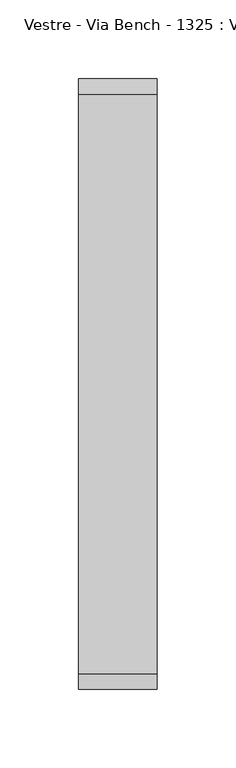
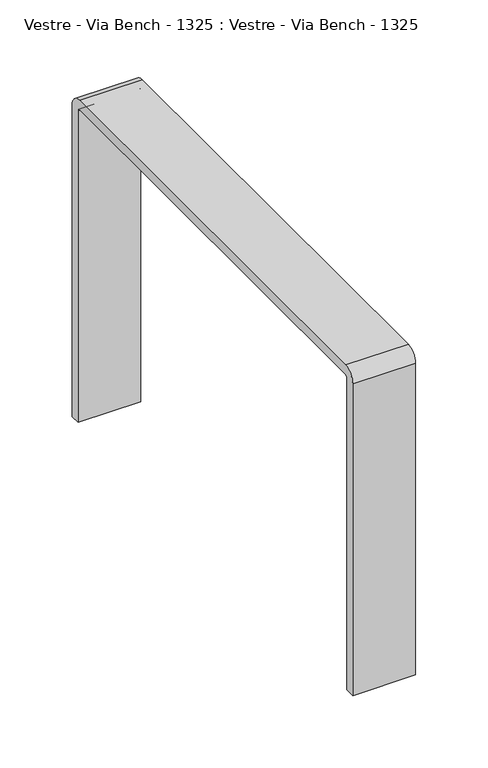
"""IFC4 building model written with IfcOpenShell, lengths in millimetres: furniture geometry, Vestre - Via Bench - 1325 : Vestre - Via Bench - 1325."""

import ifcopenshell
import ifcopenshell.guid

model = None  # the IFC model being written
_history = None  # IfcOwnerHistory: only IFC2X3 demands one
_inside = {}  # id of a spatial element -> (the spatial element, [elements in it])
_under = {}  # id of a project, library or spatial element -> (it, [spatial elements below it])
_declared = {}  # id of a project -> (the project, [libraries it declares])
_typed = {}  # id of a type object -> (the type object, [elements of that type])
_made_of = {}  # id of a material, layer set ... -> (it, [elements and type objects made of it])


def new_model(schema):
    """Start an empty IFC model of exactly this schema.

    Asked for "IFC4X3", IfcOpenShell would pick the latest addendum, in which some entities
    have other attributes; the version numbers below select the first issue.
    IFC2X3 requires an IfcOwnerHistory on every rooted entity: one is made here for all.
    """
    global model, _history
    if schema == "IFC4X3":
        model = ifcopenshell.file(schema_version=(4, 3, 0, 0))
    else:
        model = ifcopenshell.file(schema=schema)
    _inside.clear()
    _under.clear()
    _declared.clear()
    _typed.clear()
    _made_of.clear()
    _history = None
    if model.schema == "IFC2X3":
        org = make("IfcOrganization", Name="unknown")
        user = make(
            "IfcPersonAndOrganization",
            ThePerson=make("IfcPerson", FamilyName="unknown"),
            TheOrganization=org,
        )
        app = make(
            "IfcApplication",
            ApplicationDeveloper=org,
            Version="unknown",
            ApplicationFullName="unknown",
            ApplicationIdentifier="unknown",
        )
        _history = make(
            "IfcOwnerHistory",
            OwningUser=user,
            OwningApplication=app,
            ChangeAction="ADDED",
            CreationDate=0,
        )
    return model


def make(cls, **values):
    """One entity of the class cls with the attributes given. An attribute that is None is left unset."""
    return model.create_entity(
        cls, **{name: value for name, value in values.items() if value is not None}
    )


def rooted(cls, **values):
    """An entity with a GlobalId (a new one), such as an element, a storey or a relation."""
    return make(cls, GlobalId=ifcopenshell.guid.new(), OwnerHistory=_history, **values)


def si_unit(unit_type, name, prefix=None):
    """IfcSIUnit, for example si_unit("LENGTHUNIT", "METRE", prefix="MILLI")."""
    return make("IfcSIUnit", UnitType=unit_type, Prefix=prefix, Name=name)


def assignment(units):
    """IfcUnitAssignment: the units of a project."""
    return None if units is None else make("IfcUnitAssignment", Units=units)


def point(xyz):
    """IfcCartesianPoint."""
    return None if xyz is None else make("IfcCartesianPoint", Coordinates=xyz)


def direction(xyz):
    """IfcDirection."""
    return None if xyz is None else make("IfcDirection", DirectionRatios=xyz)


def frame(location, z_axis=None, x_axis=None):
    """IfcAxis2Placement3D, a coordinate frame: its origin and axes. An axis left out is left unset."""
    return make(
        "IfcAxis2Placement3D",
        Location=point(location),
        Axis=direction(z_axis),
        RefDirection=direction(x_axis),
    )


def frame_2d(location, x_axis=None):
    """IfcAxis2Placement2D, a coordinate frame in the plane: its origin and x axis."""
    return make(
        "IfcAxis2Placement2D", Location=point(location), RefDirection=direction(x_axis)
    )


def origin():
    """The frame at (0, 0, 0) with its axes left unset."""
    return frame((0.0, 0.0, 0.0))


def place(relative_to, where):
    """IfcLocalPlacement: puts the frame where relative to a parent placement (None: the world)."""
    return make(
        "IfcLocalPlacement", PlacementRelTo=relative_to, RelativePlacement=where
    )


def context(
    kind, dimensions, precision=None, world=None, true_north=None, identifier=None
):
    """IfcGeometricRepresentationContext, for example the 3D "Model" context."""
    return make(
        "IfcGeometricRepresentationContext",
        ContextIdentifier=identifier,
        ContextType=kind,
        CoordinateSpaceDimension=dimensions,
        Precision=precision,
        WorldCoordinateSystem=world,
        TrueNorth=true_north,
    )


def project(units=None, contexts=None):
    """IfcProject with its units and contexts."""
    return rooted(
        "IfcProject",
        Name="project",
        RepresentationContexts=contexts,
        UnitsInContext=assignment(units),
    )


def spatial(cls, under=None, at=None, **own):
    """A site, building, storey or space (cls), placed at a placement, below another one or the project."""
    s = rooted(cls, ObjectPlacement=at, **own)
    if under is not None:
        _under.setdefault(under.id(), (under, []))[1].append(s)
    return s


def polyline(points):
    """IfcPolyline through the points."""
    return make("IfcPolyline", Points=[point(p) for p in points])


def circle_curve(where, radius):
    """IfcCircle in the frame where."""
    return make("IfcCircle", Position=where, Radius=radius)


def trimmed(basis, trim1, trim2, sense, master):
    """IfcTrimmedCurve: the piece of a basis curve between two trims."""
    return make(
        "IfcTrimmedCurve",
        BasisCurve=basis,
        Trim1=trim1,
        Trim2=trim2,
        SenseAgreement=sense,
        MasterRepresentation=master,
    )


def segment(curve, same_sense, transition):
    """IfcCompositeCurveSegment."""
    return make(
        "IfcCompositeCurveSegment",
        Transition=transition,
        SameSense=same_sense,
        ParentCurve=curve,
    )


def composite_curve(segments, self_intersect=None):
    """IfcCompositeCurve: segments joined end to end."""
    return make("IfcCompositeCurve", Segments=segments, SelfIntersect=self_intersect)


def outline(outer, holes=None, kind="AREA"):
    """IfcArbitraryClosedProfileDef: a profile drawn as a closed curve; with holes, ...WithVoids."""
    if holes is None:
        return make("IfcArbitraryClosedProfileDef", ProfileType=kind, OuterCurve=outer)
    return make(
        "IfcArbitraryProfileDefWithVoids",
        ProfileType=kind,
        OuterCurve=outer,
        InnerCurves=holes,
    )


def extrude(swept, where, along, depth):
    """IfcExtrudedAreaSolid: the profile swept, set in the frame where, extruded along a direction by depth."""
    return make(
        "IfcExtrudedAreaSolid",
        SweptArea=swept,
        Position=where,
        ExtrudedDirection=direction(along),
        Depth=depth,
    )


def shape(context_of_items, identifier, shape_type, items):
    """IfcShapeRepresentation: the items that make up one representation, for example the "Body"."""
    return make(
        "IfcShapeRepresentation",
        ContextOfItems=context_of_items,
        RepresentationIdentifier=identifier,
        RepresentationType=shape_type,
        Items=items,
    )


def source(mapping_origin, context_of_items, identifier, shape_type, items):
    """IfcRepresentationMap: a shape defined once, which mapped items show again and again."""
    return make(
        "IfcRepresentationMap",
        MappingOrigin=mapping_origin,
        MappedRepresentation=shape(context_of_items, identifier, shape_type, items),
    )


def transform(
    local_origin,
    x_axis=None,
    y_axis=None,
    z_axis=None,
    scale=None,
    scale2=None,
    scale3=None,
    uniform=True,
):
    """IfcCartesianTransformationOperator3D, or its non-uniform kind. x_axis, y_axis, z_axis: its Axis1, 2, 3."""
    if uniform:
        return make(
            "IfcCartesianTransformationOperator3D",
            Axis1=direction(x_axis),
            Axis2=direction(y_axis),
            LocalOrigin=point(local_origin),
            Scale=scale,
            Axis3=direction(z_axis),
        )
    return make(
        "IfcCartesianTransformationOperator3DnonUniform",
        Axis1=direction(x_axis),
        Axis2=direction(y_axis),
        LocalOrigin=point(local_origin),
        Scale=scale,
        Axis3=direction(z_axis),
        Scale2=scale2,
        Scale3=scale3,
    )


def mapped(mapping_source, mapping_target):
    """IfcMappedItem: shows the shape of a source again, moved by a transform."""
    return make(
        "IfcMappedItem", MappingSource=mapping_source, MappingTarget=mapping_target
    )


def made_of(thing, what):
    """Note that an element or type object is made of a material, layer set ...; save() writes the relation."""
    if what is not None:
        _made_of.setdefault(what.id(), (what, []))[1].append(thing)
    return thing


def element(
    cls,
    number,
    at=None,
    inside=None,
    cuts=None,
    type_object=None,
    material=None,
    context=None,
    identifier="Body",
    shape_type=None,
    held_by="IfcProductDefinitionShape",
    body=None,
    shapes=None,
    **own,
):
    """One element of the class cls, such as IfcWall. Its Tag is "e" and its number.

    at: its placement. inside: the storey or other place that contains it. cuts: it is an
    opening in that element (IfcRelVoidsElement). A single representation is given by context,
    identifier, shape_type and body (its items); several are given by shapes. held_by: the class
    of the entity that holds the representations. save() writes the other relations.
    """
    e = rooted(cls, Tag="e%d" % number, ObjectPlacement=at, **own)
    if body is not None:
        shapes = [shape(context, identifier, shape_type, body)]
    if shapes is not None:
        e.Representation = make(held_by, Representations=shapes)
    if inside is not None:
        _inside.setdefault(inside.id(), (inside, []))[1].append(e)
    if cuts is not None:
        rooted(
            "IfcRelVoidsElement", RelatingBuildingElement=cuts, RelatedOpeningElement=e
        )
    if type_object is not None:
        _typed.setdefault(type_object.id(), (type_object, []))[1].append(e)
    return made_of(e, material)


def aggregate(whole, parts):
    """IfcRelAggregates: a whole, such as a stair, and the parts it consists of."""
    return rooted("IfcRelAggregates", RelatingObject=whole, RelatedObjects=parts)


def save(model, path):
    """Write the relations noted so far, then the file.

    IfcRelAggregates (storeys below a building ...), IfcRelContainedInSpatialStructure (elements
    in a storey), IfcRelDefinesByType, IfcRelAssociatesMaterial and IfcRelDeclares: one each for
    every whole, place, type object, material and project.
    """
    for whole, parts in _under.values():
        aggregate(whole, parts)
    for where, things in _inside.values():
        rooted(
            "IfcRelContainedInSpatialStructure",
            RelatedElements=things,
            RelatingStructure=where,
        )
    for kind, things in _typed.values():
        rooted("IfcRelDefinesByType", RelatedObjects=things, RelatingType=kind)
    for what, things in _made_of.values():
        rooted("IfcRelAssociatesMaterial", RelatedObjects=things, RelatingMaterial=what)
    for by, libraries in _declared.values():
        rooted("IfcRelDeclares", RelatingContext=by, RelatedDefinitions=libraries)
    model.write(path)


def vestre_via_bench_1325_vestre_via_bench_1325_0f1fbcde(model_context):
    return source(origin(), model_context, "Body", "SweptSolid", [
        extrude(outline(composite_curve([segment(trimmed(circle_curve(frame_2d((-183.2866497, 640.9999844)), 2.0), [point((-183.2866497, 642.9999844))], [point((-185.2866497, 640.9999844))], True, "CARTESIAN"), True, "CONTINUOUS"), segment(polyline([(-185.2866497, 640.9999844), (-185.2866497, 378.0000149), (-193.2866497, 378.0000149), (-193.2866497, 640.9999844)]), True, "CONTINUOUS"), segment(trimmed(circle_curve(frame_2d((-183.2866497, 640.9999844)), 10.0), [point((-193.2866497, 640.9999844))], [point((-183.2866497, 650.9999844))], False, "CARTESIAN"), True, "CONTINUOUS"), segment(polyline([(-183.2866497, 650.9999844), (184.7651997, 650.9999844)]), True, "CONTINUOUS"), segment(trimmed(circle_curve(frame_2d((184.7651997, 640.9999844)), 10.0), [point((184.7651997, 650.9999844))], [point((194.7651997, 640.9999844))], False, "CARTESIAN"), True, "CONTINUOUS"), segment(polyline([(194.7651997, 640.9999844), (194.7651997, 378.0000149), (186.7651997, 378.0000149), (186.7651997, 640.9999844)]), True, "CONTINUOUS"), segment(trimmed(circle_curve(frame_2d((184.7651997, 640.9999844)), 2.0), [point((186.7651997, 640.9999844))], [point((184.7651997, 642.9999844))], True, "CARTESIAN"), True, "CONTINUOUS"), segment(polyline([(184.7651997, 642.9999844), (-183.2866497, 642.9999844)]), True, "CONTINUOUS")], self_intersect=False)), frame((-860.5130876, 0.0, 0.0), z_axis=(1.0, 0.0, 0.0), x_axis=(0.0, 1.0, 0.0)), (0.0, 0.0, 1.0), 50.0),
    ])


if __name__ == "__main__":
    model = new_model("IFC4")
    model_context = context("Model", 3, world=origin())
    ifc_project = project(units=[si_unit("LENGTHUNIT", "METRE", prefix="MILLI")], contexts=[model_context])
    site = spatial("IfcSite", under=ifc_project)
    building = spatial("IfcBuilding", under=site)
    placement = place(None, origin())
    vestre_via_bench_1325_vestre_via_bench_1325_shape = vestre_via_bench_1325_vestre_via_bench_1325_0f1fbcde(model_context)
    element("IfcFurniture", 1, ObjectType="Vestre - Via Bench - 1325 : Vestre - Via Bench - 1325", at=placement, inside=building, context=model_context, shape_type="MappedRepresentation", body=[
        mapped(vestre_via_bench_1325_vestre_via_bench_1325_shape, transform((0.0, 0.0, 0.0), x_axis=(1.0, 0.0, 0.0), y_axis=(0.0, 1.0, 0.0), z_axis=(0.0, 0.0, 1.0))),
    ])
    save(model, "model.ifc")
